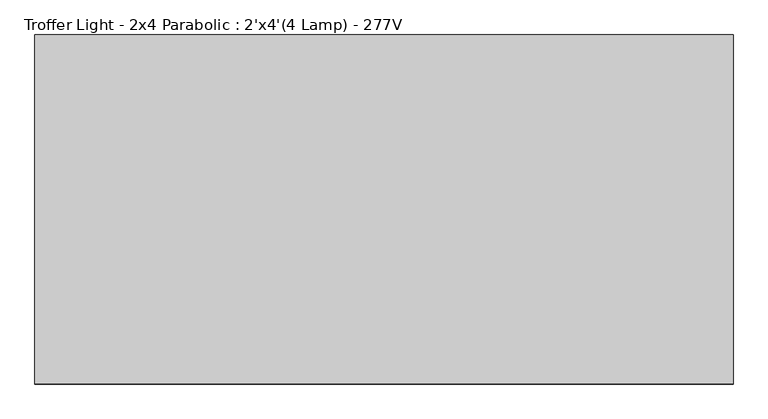
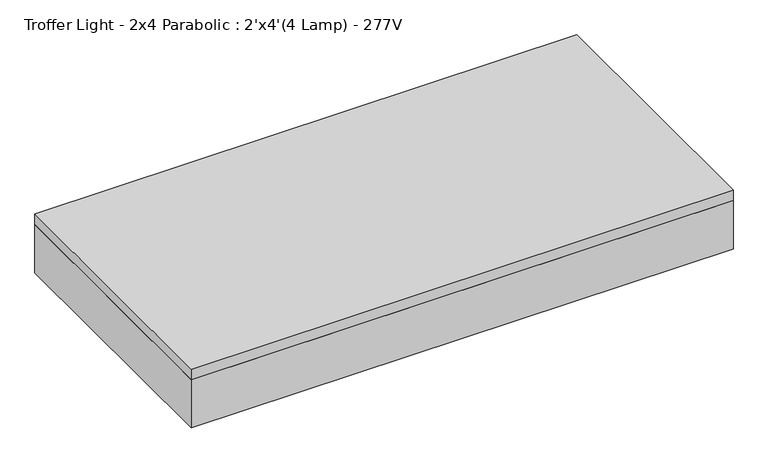
"""IFC4 building model written with IfcOpenShell, lengths in millimetres: light fixture geometry, Troffer Light - 2x4 Parabolic : 2'x4'(4 Lamp) - 277V."""

from ifc_helpers import new_model, si_unit, frame, origin, place, context, project, spatial, polyline, outline, extrude, source, transform, mapped, element, save


def troffer_light_2x4_parabolic_2_x4_4_lamp_277v_ca384779(model_context):
    return source(origin(), model_context, "Body", "SweptSolid", [
        extrude(outline(polyline([(565.4964984, 219.9340679), (565.4964984, -338.8659321), (-602.9035016, -338.8659321), (-602.9035016, 219.9340679), (565.4964984, 219.9340679)]), holes=[polyline([(-409.2285016, 35.7840679), (-409.2285016, 213.5840679), (-596.5535016, 213.5840679), (-596.5535016, 35.7840679), (-409.2285016, 35.7840679)]), polyline([(-409.2285016, -148.3659321), (-409.2285016, 29.4340679), (-596.5535016, 29.4340679), (-596.5535016, -148.3659321), (-409.2285016, -148.3659321)]), polyline([(-409.2285016, -154.7159321), (-596.5535016, -154.7159321), (-596.5535016, -332.5159321), (-409.2285016, -332.5159321), (-409.2285016, -154.7159321)]), polyline([(-215.5535016, 35.7840679), (-215.5535016, 213.5840679), (-402.8785016, 213.5840679), (-402.8785016, 35.7840679), (-215.5535016, 35.7840679)]), polyline([(-215.5535016, -148.3659321), (-215.5535016, 29.4340679), (-402.8785016, 29.4340679), (-402.8785016, -148.3659321), (-215.5535016, -148.3659321)]), polyline([(-215.5535016, -154.7159321), (-402.8785016, -154.7159321), (-402.8785016, -332.5159321), (-215.5535016, -332.5159321), (-215.5535016, -154.7159321)]), polyline([(-21.8785016, 35.7840679), (-21.8785016, 213.5840679), (-209.2035016, 213.5840679), (-209.2035016, 35.7840679), (-21.8785016, 35.7840679)]), polyline([(-21.8785016, -148.3659321), (-21.8785016, 29.4340679), (-209.2035016, 29.4340679), (-209.2035016, -148.3659321), (-21.8785016, -148.3659321)]), polyline([(-21.8785016, -154.7159321), (-209.2035016, -154.7159321), (-209.2035016, -332.5159321), (-21.8785016, -332.5159321), (-21.8785016, -154.7159321)]), polyline([(171.7964984, 35.7840679), (171.7964984, 213.5840679), (-15.5285016, 213.5840679), (-15.5285016, 35.7840679), (171.7964984, 35.7840679)]), polyline([(171.7964984, -148.3659321), (171.7964984, 29.4340679), (-15.5285016, 29.4340679), (-15.5285016, -148.3659321), (171.7964984, -148.3659321)]), polyline([(171.7964984, -154.7159321), (-15.5285016, -154.7159321), (-15.5285016, -332.5159321), (171.7964984, -332.5159321), (171.7964984, -154.7159321)]), polyline([(365.4714984, 35.7840679), (365.4714984, 213.5840679), (178.1464984, 213.5840679), (178.1464984, 35.7840679), (365.4714984, 35.7840679)]), polyline([(365.4714984, -148.3659321), (365.4714984, 29.4340679), (178.1464984, 29.4340679), (178.1464984, -148.3659321), (365.4714984, -148.3659321)]), polyline([(365.4714984, -154.7159321), (178.1464984, -154.7159321), (178.1464984, -332.5159321), (365.4714984, -332.5159321), (365.4714984, -154.7159321)]), polyline([(559.1464984, 35.7840679), (559.1464984, 213.5840679), (371.8214984, 213.5840679), (371.8214984, 35.7840679), (559.1464984, 35.7840679)]), polyline([(559.1464984, -148.3659321), (559.1464984, 29.4340679), (371.8214984, 29.4340679), (371.8214984, -148.3659321), (559.1464984, -148.3659321)]), polyline([(559.1464984, -154.7159321), (371.8214984, -154.7159321), (371.8214984, -332.5159321), (559.1464984, -332.5159321), (559.1464984, -154.7159321)])]), frame((0.0, 0.0, 2438.4), z_axis=(0.0, 0.0, 1.0), x_axis=(1.0, 0.0, 0.0)), (0.0, 0.0, 1.0), 3.175),
        extrude(outline(polyline([(565.4964984, 219.9340679), (565.4964984, -338.8659321), (-602.9035016, -338.8659321), (-602.9035016, 219.9340679), (565.4964984, 219.9340679)])), frame((0.0, 0.0, 2514.6), z_axis=(0.0, 0.0, 1.0), x_axis=(1.0, 0.0, 0.0)), (0.0, 0.0, 1.0), 6.35),
        extrude(outline(polyline([(565.4964984, 219.9340679), (565.4964984, -338.8659321), (-602.9035016, -338.8659321), (-602.9035016, 219.9340679), (565.4964984, 219.9340679)]), holes=[polyline([(-409.2285016, 35.7840679), (-409.2285016, 213.5840679), (-596.5535016, 213.5840679), (-596.5535016, 35.7840679), (-409.2285016, 35.7840679)]), polyline([(-409.2285016, -148.3659321), (-409.2285016, 29.4340679), (-596.5535016, 29.4340679), (-596.5535016, -148.3659321), (-409.2285016, -148.3659321)]), polyline([(-409.2285016, -154.7159321), (-596.5535016, -154.7159321), (-596.5535016, -332.5159321), (-409.2285016, -332.5159321), (-409.2285016, -154.7159321)]), polyline([(-215.5535016, 35.7840679), (-215.5535016, 213.5840679), (-402.8785016, 213.5840679), (-402.8785016, 35.7840679), (-215.5535016, 35.7840679)]), polyline([(-215.5535016, -148.3659321), (-215.5535016, 29.4340679), (-402.8785016, 29.4340679), (-402.8785016, -148.3659321), (-215.5535016, -148.3659321)]), polyline([(-215.5535016, -154.7159321), (-402.8785016, -154.7159321), (-402.8785016, -332.5159321), (-215.5535016, -332.5159321), (-215.5535016, -154.7159321)]), polyline([(-21.8785016, 35.7840679), (-21.8785016, 213.5840679), (-209.2035016, 213.5840679), (-209.2035016, 35.7840679), (-21.8785016, 35.7840679)]), polyline([(-21.8785016, -148.3659321), (-21.8785016, 29.4340679), (-209.2035016, 29.4340679), (-209.2035016, -148.3659321), (-21.8785016, -148.3659321)]), polyline([(-21.8785016, -154.7159321), (-209.2035016, -154.7159321), (-209.2035016, -332.5159321), (-21.8785016, -332.5159321), (-21.8785016, -154.7159321)]), polyline([(171.7964984, 35.7840679), (171.7964984, 213.5840679), (-15.5285016, 213.5840679), (-15.5285016, 35.7840679), (171.7964984, 35.7840679)]), polyline([(171.7964984, -148.3659321), (171.7964984, 29.4340679), (-15.5285016, 29.4340679), (-15.5285016, -148.3659321), (171.7964984, -148.3659321)]), polyline([(171.7964984, -154.7159321), (-15.5285016, -154.7159321), (-15.5285016, -332.5159321), (171.7964984, -332.5159321), (171.7964984, -154.7159321)]), polyline([(365.4714984, 35.7840679), (365.4714984, 213.5840679), (178.1464984, 213.5840679), (178.1464984, 35.7840679), (365.4714984, 35.7840679)]), polyline([(365.4714984, -148.3659321), (365.4714984, 29.4340679), (178.1464984, 29.4340679), (178.1464984, -148.3659321), (365.4714984, -148.3659321)]), polyline([(365.4714984, -154.7159321), (178.1464984, -154.7159321), (178.1464984, -332.5159321), (365.4714984, -332.5159321), (365.4714984, -154.7159321)]), polyline([(559.1464984, 35.7840679), (559.1464984, 213.5840679), (371.8214984, 213.5840679), (371.8214984, 35.7840679), (559.1464984, 35.7840679)]), polyline([(559.1464984, -148.3659321), (559.1464984, 29.4340679), (371.8214984, 29.4340679), (371.8214984, -148.3659321), (559.1464984, -148.3659321)]), polyline([(559.1464984, -154.7159321), (371.8214984, -154.7159321), (371.8214984, -332.5159321), (559.1464984, -332.5159321), (559.1464984, -154.7159321)])]), frame((0.0, 0.0, 2441.575), z_axis=(0.0, 0.0, 1.0), x_axis=(1.0, 0.0, 0.0)), (0.0, 0.0, 1.0), 47.625),
        extrude(outline(polyline([(590.8964984, 245.3340679), (590.8964984, -364.2659321), (-628.3035016, -364.2659321), (-628.3035016, 245.3340679), (590.8964984, 245.3340679)]), holes=[polyline([(565.4964984, 219.9340679), (-602.9035016, 219.9340679), (-602.9035016, -338.8659321), (565.4964984, -338.8659321), (565.4964984, 219.9340679)])]), frame((0.0, 0.0, 2438.4), z_axis=(0.0, 0.0, 1.0), x_axis=(1.0, 0.0, 0.0)), (0.0, 0.0, 1.0), 114.3),
        extrude(outline(polyline([(590.8964984, 245.3340679), (590.8964984, -364.2659321), (-628.3035016, -364.2659321), (-628.3035016, 245.3340679), (590.8964984, 245.3340679)])), frame((0.0, 0.0, 2552.7), z_axis=(0.0, 0.0, 1.0), x_axis=(1.0, 0.0, 0.0)), (0.0, 0.0, 1.0), 25.4),
    ])


if __name__ == "__main__":
    model = new_model("IFC4")
    model_context = context("Model", 3, world=origin())
    ifc_project = project(units=[si_unit("LENGTHUNIT", "METRE", prefix="MILLI")], contexts=[model_context])
    site = spatial("IfcSite", under=ifc_project)
    building = spatial("IfcBuilding", under=site)
    placement = place(None, origin())
    troffer_light_2x4_parabolic_2_x4_4_lamp_277v_shape = troffer_light_2x4_parabolic_2_x4_4_lamp_277v_ca384779(model_context)
    element("IfcLightFixture", 1, ObjectType="Troffer Light - 2x4 Parabolic : 2'x4'(4 Lamp) - 277V", at=placement, inside=building, context=model_context, shape_type="MappedRepresentation", body=[
        mapped(troffer_light_2x4_parabolic_2_x4_4_lamp_277v_shape, transform((0.0, 0.0, 0.0), x_axis=(1.0, 0.0, 0.0), y_axis=(0.0, 1.0, 0.0), z_axis=(0.0, 0.0, 1.0))),
    ])
    save(model, "model.ifc")
